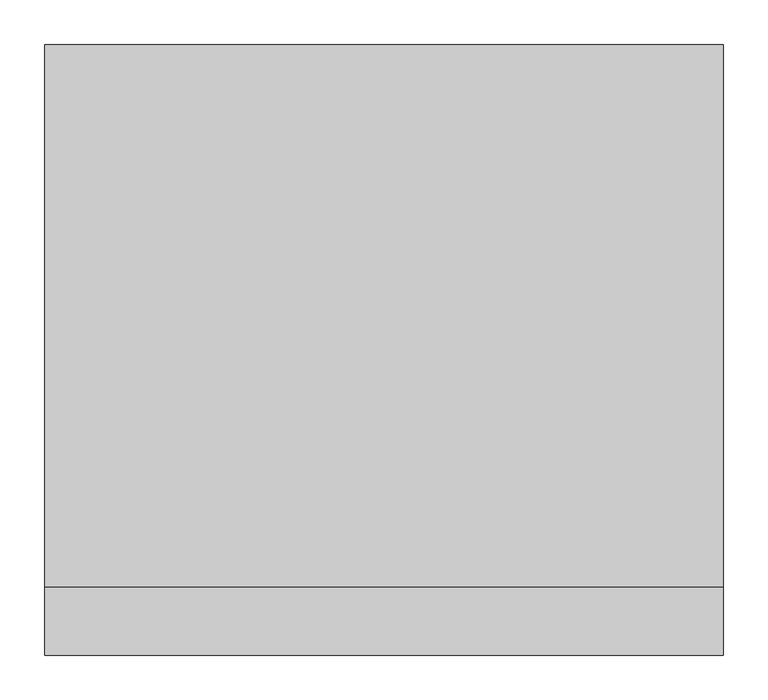
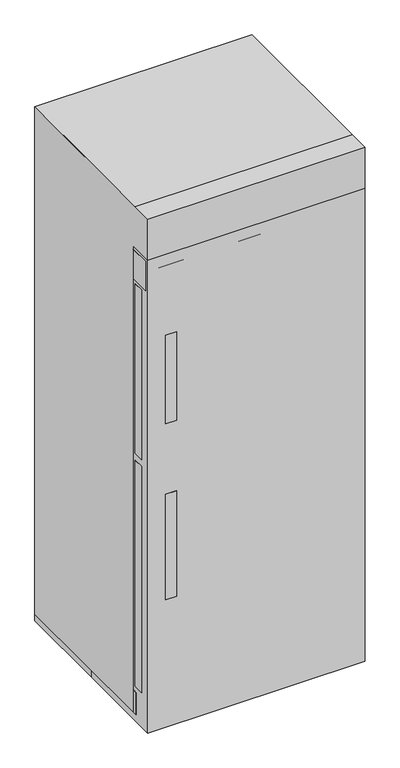
"""IFC4 building model written with IfcOpenShell, lengths in millimetres: proxy geometry."""

from ifc_helpers import new_model, si_unit, point, frame, frame_2d, origin, origin_with_axes, place, context, project, spatial, polyline, circle_curve, trimmed, segment, composite_curve, outline, extrude, source, transform, mapped, element, save


def specialty_equipment_4f3136f0(model_context):
    return source(origin(), model_context, "Body", "SweptSolid", [
        extrude(outline(polyline([(-219.4498767, -341.8038063), (-340.0998767, -341.8038063), (-340.0998767, -329.1038063), (-219.4498767, -329.1038063), (-219.4498767, -341.8038063)])), frame((0.0, 0.0, 1672.5086108), z_axis=(0.0, 0.0, 1.0), x_axis=(1.0, 0.0, 0.0)), (0.0, 0.0, 1.0), 38.1),
        extrude(outline(polyline([(60.325, -341.8038063), (-60.325, -341.8038063), (-60.325, -329.1038063), (60.325, -329.1038063), (60.325, -341.8038063)])), frame((0.0, 0.0, 1672.5086108), z_axis=(0.0, 0.0, 1.0), x_axis=(1.0, 0.0, 0.0)), (0.0, 0.0, 1.0), 38.1),
        extrude(outline(polyline([(340.0998767, -341.8038063), (219.4498767, -341.8038063), (219.4498767, -329.1038063), (340.0998767, -329.1038063), (340.0998767, -341.8038063)])), frame((0.0, 0.0, 1672.5086108), z_axis=(0.0, 0.0, 1.0), x_axis=(1.0, 0.0, 0.0)), (0.0, 0.0, 1.0), 38.1),
        extrude(outline(polyline([(-266.7, 1905.0), (342.9, 1905.0), (342.9, 25.4), (-254.0, 25.4), (-254.0, 1752.6), (-342.9, 1752.6), (-342.9, 1905.0), (-266.7, 1905.0)])), frame((-381.0, 0.0, 0.0), z_axis=(1.0, 0.0, 0.0), x_axis=(0.0, 1.0, 0.0)), (0.0, 0.0, 1.0), 762.0),
        extrude(outline(polyline([(381.0, -254.0), (381.0, -329.1038063), (-381.0, -329.1038063), (-381.0, -254.0), (381.0, -254.0)])), frame((0.0, 0.0, 1631.95), z_axis=(0.0, 0.0, 1.0), x_axis=(1.0, 0.0, 0.0)), (0.0, 0.0, 1.0), 107.95),
        extrude(outline(polyline([(-342.9, 1451.7534297), (-304.8, 1451.7534297), (-304.8, 1439.0534297), (-330.2159299, 1439.0534297), (-330.2159299, 1136.6340701), (-304.8, 1136.6340701), (-304.8, 1123.95), (-342.9, 1123.95), (-342.9, 1451.7534297)])), frame((-317.5, 0.0, 0.0), z_axis=(1.0, 0.0, 0.0), x_axis=(0.0, 1.0, 0.0)), (0.0, 0.0, 1.0), 38.1),
        extrude(outline(polyline([(-342.9, 471.6629987), (-342.9, 863.1515947), (-304.8, 863.1515947), (-304.8, 850.4675247), (-330.2159299, 850.4675247), (-330.2159299, 484.3629987), (-304.8, 484.3629987), (-304.8, 471.6629987), (-342.9, 471.6629987)])), frame((-317.5, 0.0, 0.0), z_axis=(1.0, 0.0, 0.0), x_axis=(0.0, 1.0, 0.0)), (0.0, 0.0, 1.0), 38.1),
        extrude(outline(polyline([(381.0, -254.0), (381.0, -273.05), (-381.0, -273.05), (-381.0, -254.0), (381.0, -254.0)])), frame((0.0, 0.0, 25.4), z_axis=(0.0, 0.0, 1.0), x_axis=(1.0, 0.0, 0.0)), (0.0, 0.0, 1.0), 82.55),
        extrude(outline(polyline([(368.3, -266.7), (-368.3, -266.7), (-368.3, -254.0), (368.3, -254.0), (368.3, -266.7)])), frame((0.0, 0.0, 1006.24443), z_axis=(0.0, 0.0, 1.0), x_axis=(1.0, 0.0, 0.0)), (0.0, 0.0, 1.0), 587.60557),
        extrude(outline(polyline([(381.0, -304.8), (-381.0, -304.8), (-381.0, -266.7), (381.0, -266.7), (381.0, -304.8)])), frame((0.0, 0.0, 990.6), z_axis=(0.0, 0.0, 1.0), x_axis=(1.0, 0.0, 0.0)), (0.0, 0.0, 1.0), 628.65),
        extrude(outline(polyline([(368.3, -266.7), (-368.3, -266.7), (-368.3, -254.0), (368.3, -254.0), (368.3, -266.7)])), frame((0.0, 0.0, 149.0357475), z_axis=(0.0, 0.0, 1.0), x_axis=(1.0, 0.0, 0.0)), (0.0, 0.0, 1.0), 797.1142525),
        extrude(outline(polyline([(381.0, -304.8), (-381.0, -304.8), (-381.0, -266.7), (381.0, -266.7), (381.0, -304.8)])), frame((0.0, 0.0, 126.9407444), z_axis=(0.0, 0.0, 1.0), x_axis=(1.0, 0.0, 0.0)), (0.0, 0.0, 1.0), 838.2592556),
        extrude(outline(composite_curve([segment(trimmed(circle_curve(frame_2d((-307.8775617, -192.5820241)), 31.75), [point((-276.1275617, -192.5820241))], [point((-339.6275617, -192.5820241))], False, "CARTESIAN"), True, "CONTINUOUS"), segment(trimmed(circle_curve(frame_2d((-307.8775617, -192.5820241)), 31.75), [point((-339.6275617, -192.5820241))], [point((-276.1275617, -192.5820241))], False, "CARTESIAN"), True, "CONTINUOUS")], self_intersect=False)), origin_with_axes(), (0.0, 0.0, 1.0), 25.4),
        extrude(outline(composite_curve([segment(trimmed(circle_curve(frame_2d((307.8775617, -192.5820241)), 31.75), [point((276.1275617, -192.5820241))], [point((339.6275617, -192.5820241))], False, "CARTESIAN"), True, "CONTINUOUS"), segment(trimmed(circle_curve(frame_2d((307.8775617, -192.5820241)), 31.75), [point((339.6275617, -192.5820241))], [point((276.1275617, -192.5820241))], False, "CARTESIAN"), True, "CONTINUOUS")], self_intersect=False)), origin_with_axes(), (0.0, 0.0, 1.0), 25.4),
        extrude(outline(composite_curve([segment(trimmed(circle_curve(frame_2d((-307.8775617, 277.3179759)), 31.75), [point((-276.1275617, 277.3179759))], [point((-339.6275617, 277.3179759))], False, "CARTESIAN"), True, "CONTINUOUS"), segment(trimmed(circle_curve(frame_2d((-307.8775617, 277.3179759)), 31.75), [point((-339.6275617, 277.3179759))], [point((-276.1275617, 277.3179759))], False, "CARTESIAN"), True, "CONTINUOUS")], self_intersect=False)), origin_with_axes(), (0.0, 0.0, 1.0), 25.4),
        extrude(outline(composite_curve([segment(trimmed(circle_curve(frame_2d((307.8775617, 277.3179759)), 31.75), [point((276.1275617, 277.3179759))], [point((339.6275617, 277.3179759))], False, "CARTESIAN"), True, "CONTINUOUS"), segment(trimmed(circle_curve(frame_2d((307.8775617, 277.3179759)), 31.75), [point((339.6275617, 277.3179759))], [point((276.1275617, 277.3179759))], False, "CARTESIAN"), True, "CONTINUOUS")], self_intersect=False)), origin_with_axes(), (0.0, 0.0, 1.0), 25.4),
        extrude(outline(polyline([(-381.0, 342.9), (381.0, 342.9), (381.0, -342.9), (-381.0, -342.9), (-381.0, 0.0), (-381.0, 342.9)])), origin_with_axes(), (0.0, 0.0, 1.0), 1905.0),
    ])


if __name__ == "__main__":
    model = new_model("IFC4")
    model_context = context("Model", 3, world=origin())
    ifc_project = project(units=[si_unit("LENGTHUNIT", "METRE", prefix="MILLI")], contexts=[model_context])
    site = spatial("IfcSite", under=ifc_project)
    building = spatial("IfcBuilding", under=site)
    placement = place(None, origin())
    specialty_equipment_shape = specialty_equipment_4f3136f0(model_context)
    element("IfcBuildingElementProxy", 1, Name="Specialty Equipment", at=placement, inside=building, context=model_context, shape_type="MappedRepresentation", body=[
        mapped(specialty_equipment_shape, transform((0.0, 0.0, 0.0), x_axis=(1.0, 0.0, 0.0), y_axis=(0.0, 1.0, 0.0), z_axis=(0.0, 0.0, 1.0))),
    ])
    save(model, "model.ifc")
